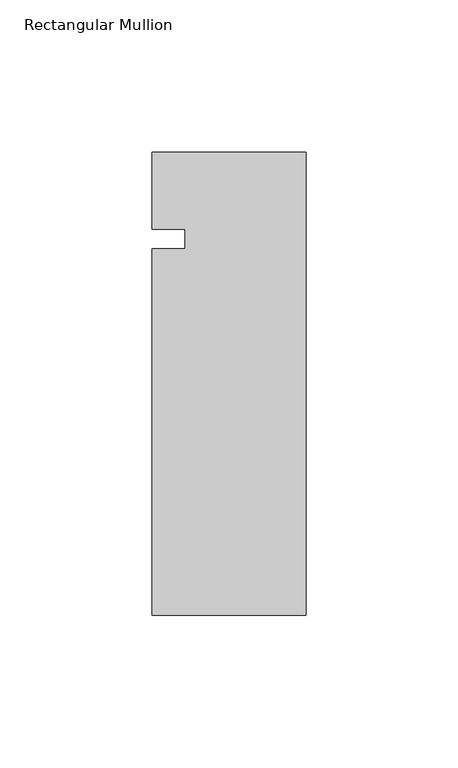
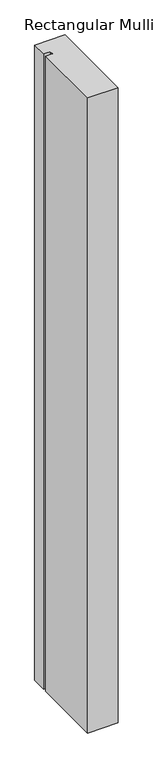
"""IFC4 building model written with IfcOpenShell, lengths in millimetres: member geometry, Rectangular Mullion."""

from ifc_helpers import new_model, si_unit, frame, origin, place, context, project, spatial, polyline, outline, extrude, source, transform, mapped, element, save


def rectangular_mullion_e55cad3d(model_context):
    return source(origin(), model_context, "Body", "SweptSolid", [
        extrude(outline(polyline([(-50.8, -152.4), (-50.8, -31.75), (-39.798425, -31.75), (-39.798425, -25.4), (-50.8, -25.4), (-50.8, 0.0), (0.0, 0.0), (0.0, -152.4), (-50.8, -152.4)])), frame((0.0, 0.0, -1115.6893215), z_axis=(0.0, 0.0, 1.0), x_axis=(1.0, 0.0, 0.0)), (0.0, 0.0, 1.0), 1115.6893215),
    ])


if __name__ == "__main__":
    model = new_model("IFC4")
    model_context = context("Model", 3, world=origin())
    ifc_project = project(units=[si_unit("LENGTHUNIT", "METRE", prefix="MILLI")], contexts=[model_context])
    site = spatial("IfcSite", under=ifc_project)
    building = spatial("IfcBuilding", under=site)
    placement = place(None, origin())
    rectangular_mullion_shape = rectangular_mullion_e55cad3d(model_context)
    element("IfcMember", 1, ObjectType="Rectangular Mullion", at=placement, inside=building, context=model_context, shape_type="MappedRepresentation", body=[
        mapped(rectangular_mullion_shape, transform((0.0, 0.0, 0.0), x_axis=(1.0, 0.0, 0.0), y_axis=(0.0, 1.0, 0.0), z_axis=(0.0, 0.0, 1.0))),
    ])
    save(model, "model.ifc")
